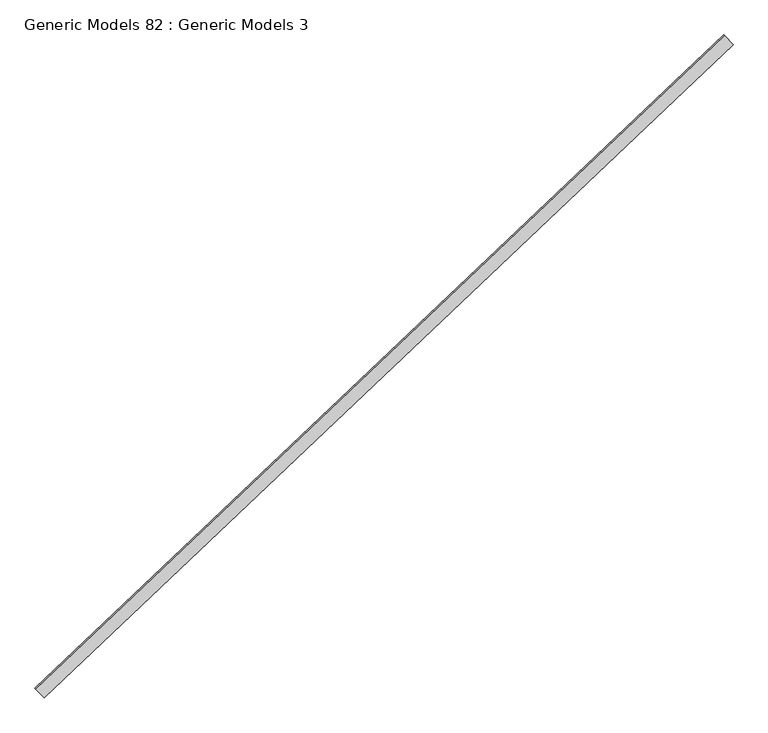
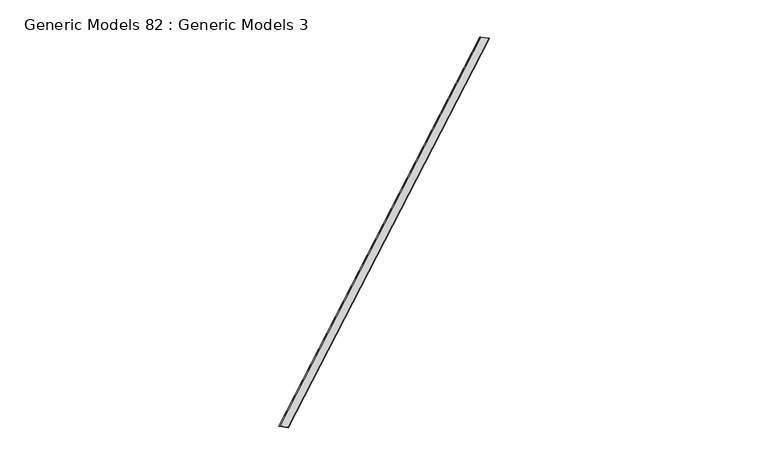
"""IFC4 building model written with IfcOpenShell, lengths in millimetres: proxy geometry, Generic Models 82 : Generic Models 3."""

from ifc_helpers import new_model, si_unit, frame, origin, place, context, project, spatial, polyline, outline, extrude, source, transform, mapped, element, save


def generic_models_82_generic_models_3_9bc008c4(model_context):
    return source(origin(), model_context, "Body", "SweptSolid", [
        extrude(outline(polyline([(-91.9085181, 1e-07), (2.2566237, 43.9099268), (2.9275302, 42.4711632), (-91.5565778, -1.5875), (-104.7037854, -1.5875), (-104.7037854, 0.0), (-91.9085181, 1e-07)])), frame((109992.691327, 47262.0089677, 18442.9757807), z_axis=(0.7253743710122778, 0.6883545756937646, 0.0), x_axis=(0.6238611121935257, -0.657412440965195, 0.4226182617408306)), (0.0, 0.0, 1.0), 8321.675),
    ])


if __name__ == "__main__":
    model = new_model("IFC4")
    model_context = context("Model", 3, world=origin())
    ifc_project = project(units=[si_unit("LENGTHUNIT", "METRE", prefix="MILLI")], contexts=[model_context])
    site = spatial("IfcSite", under=ifc_project)
    building = spatial("IfcBuilding", under=site)
    placement = place(None, origin())
    generic_models_82_generic_models_3_shape = generic_models_82_generic_models_3_9bc008c4(model_context)
    element("IfcBuildingElementProxy", 1, Name="Generic Models 82 : Generic Models 3", ObjectType="Generic Models 82 : Generic Models 3", at=placement, inside=building, context=model_context, shape_type="MappedRepresentation", body=[
        mapped(generic_models_82_generic_models_3_shape, transform((0.0, 0.0, 0.0), x_axis=(1.0, 0.0, 0.0), y_axis=(0.0, 1.0, 0.0), z_axis=(0.0, 0.0, 1.0))),
    ])
    save(model, "model.ifc")
